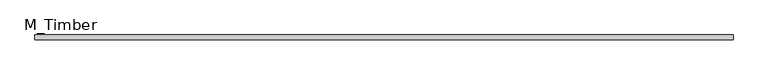
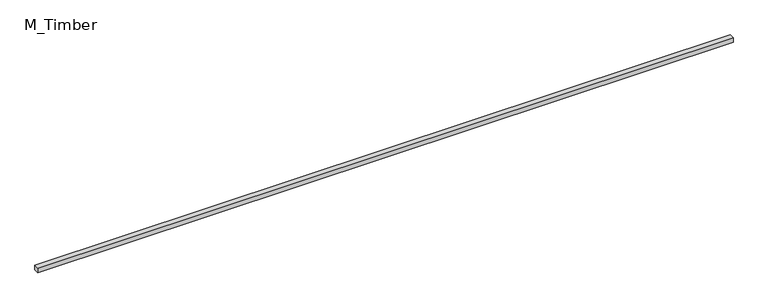
"""IFC4 building model written with IfcOpenShell, lengths in millimetres: beam geometry, M_Timber."""

from ifc_helpers import new_model, si_unit, frame, origin, place, context, project, spatial, polyline, outline, extrude, source, transform, mapped, element, save


def m_timber_6f856ff6(model_context):
    return source(origin(), model_context, "Body", "SweptSolid", [
        extrude(outline(polyline([(2805.8872183, 20.0), (2805.8872183, -20.0), (-2805.8872183, -20.0), (-2805.8872183, 20.0), (2805.8872183, 20.0)])), frame((0.0, 0.0, -20.0), z_axis=(0.0, 0.0, 1.0), x_axis=(1.0, 0.0, 0.0)), (0.0, 0.0, 1.0), 40.0),
    ])


if __name__ == "__main__":
    model = new_model("IFC4")
    model_context = context("Model", 3, world=origin())
    ifc_project = project(units=[si_unit("LENGTHUNIT", "METRE", prefix="MILLI")], contexts=[model_context])
    site = spatial("IfcSite", under=ifc_project)
    building = spatial("IfcBuilding", under=site)
    placement = place(None, origin())
    m_timber_shape = m_timber_6f856ff6(model_context)
    element("IfcBeam", 1, ObjectType="M_Timber", at=placement, inside=building, context=model_context, shape_type="MappedRepresentation", body=[
        mapped(m_timber_shape, transform((0.0, 0.0, 0.0), x_axis=(1.0, 0.0, 0.0), y_axis=(0.0, 1.0, 0.0), z_axis=(0.0, 0.0, 1.0))),
    ])
    save(model, "model.ifc")
